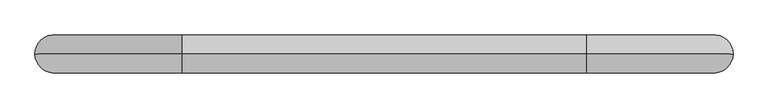
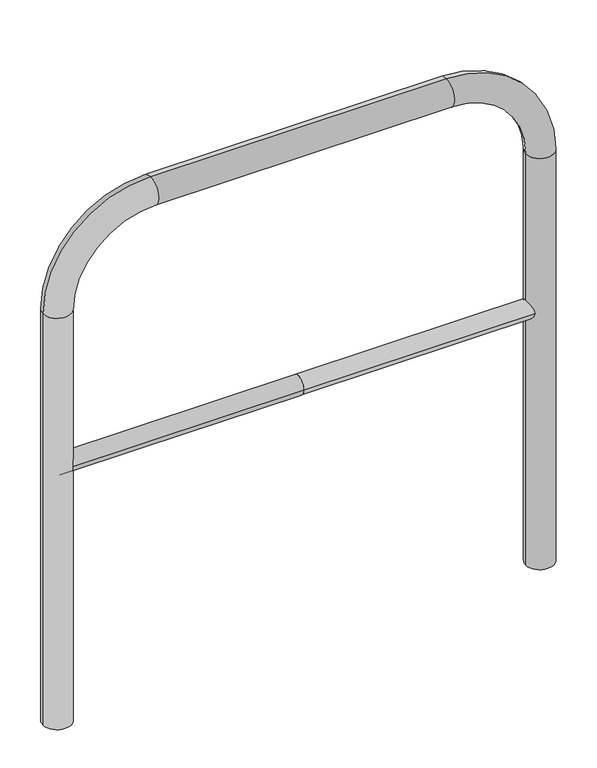
"""IFC4 building model written with IfcOpenShell, lengths in millimetres: proxy geometry."""

import ifcopenshell
import ifcopenshell.guid

model = None  # the IFC model being written
_history = None  # IfcOwnerHistory: only IFC2X3 demands one
_inside = {}  # id of a spatial element -> (the spatial element, [elements in it])
_under = {}  # id of a project, library or spatial element -> (it, [spatial elements below it])
_declared = {}  # id of a project -> (the project, [libraries it declares])
_typed = {}  # id of a type object -> (the type object, [elements of that type])
_made_of = {}  # id of a material, layer set ... -> (it, [elements and type objects made of it])


def new_model(schema):
    """Start an empty IFC model of exactly this schema.

    Asked for "IFC4X3", IfcOpenShell would pick the latest addendum, in which some entities
    have other attributes; the version numbers below select the first issue.
    IFC2X3 requires an IfcOwnerHistory on every rooted entity: one is made here for all.
    """
    global model, _history
    if schema == "IFC4X3":
        model = ifcopenshell.file(schema_version=(4, 3, 0, 0))
    else:
        model = ifcopenshell.file(schema=schema)
    _inside.clear()
    _under.clear()
    _declared.clear()
    _typed.clear()
    _made_of.clear()
    _history = None
    if model.schema == "IFC2X3":
        org = make("IfcOrganization", Name="unknown")
        user = make(
            "IfcPersonAndOrganization",
            ThePerson=make("IfcPerson", FamilyName="unknown"),
            TheOrganization=org,
        )
        app = make(
            "IfcApplication",
            ApplicationDeveloper=org,
            Version="unknown",
            ApplicationFullName="unknown",
            ApplicationIdentifier="unknown",
        )
        _history = make(
            "IfcOwnerHistory",
            OwningUser=user,
            OwningApplication=app,
            ChangeAction="ADDED",
            CreationDate=0,
        )
    return model


def make(cls, **values):
    """One entity of the class cls with the attributes given. An attribute that is None is left unset."""
    return model.create_entity(
        cls, **{name: value for name, value in values.items() if value is not None}
    )


def rooted(cls, **values):
    """An entity with a GlobalId (a new one), such as an element, a storey or a relation."""
    return make(cls, GlobalId=ifcopenshell.guid.new(), OwnerHistory=_history, **values)


def si_unit(unit_type, name, prefix=None):
    """IfcSIUnit, for example si_unit("LENGTHUNIT", "METRE", prefix="MILLI")."""
    return make("IfcSIUnit", UnitType=unit_type, Prefix=prefix, Name=name)


def assignment(units):
    """IfcUnitAssignment: the units of a project."""
    return None if units is None else make("IfcUnitAssignment", Units=units)


def point(xyz):
    """IfcCartesianPoint."""
    return None if xyz is None else make("IfcCartesianPoint", Coordinates=xyz)


def direction(xyz):
    """IfcDirection."""
    return None if xyz is None else make("IfcDirection", DirectionRatios=xyz)


def frame(location, z_axis=None, x_axis=None):
    """IfcAxis2Placement3D, a coordinate frame: its origin and axes. An axis left out is left unset."""
    return make(
        "IfcAxis2Placement3D",
        Location=point(location),
        Axis=direction(z_axis),
        RefDirection=direction(x_axis),
    )


def frame_2d(location, x_axis=None):
    """IfcAxis2Placement2D, a coordinate frame in the plane: its origin and x axis."""
    return make(
        "IfcAxis2Placement2D", Location=point(location), RefDirection=direction(x_axis)
    )


def origin():
    """The frame at (0, 0, 0) with its axes left unset."""
    return frame((0.0, 0.0, 0.0))


def place(relative_to, where):
    """IfcLocalPlacement: puts the frame where relative to a parent placement (None: the world)."""
    return make(
        "IfcLocalPlacement", PlacementRelTo=relative_to, RelativePlacement=where
    )


def context(
    kind, dimensions, precision=None, world=None, true_north=None, identifier=None
):
    """IfcGeometricRepresentationContext, for example the 3D "Model" context."""
    return make(
        "IfcGeometricRepresentationContext",
        ContextIdentifier=identifier,
        ContextType=kind,
        CoordinateSpaceDimension=dimensions,
        Precision=precision,
        WorldCoordinateSystem=world,
        TrueNorth=true_north,
    )


def project(units=None, contexts=None):
    """IfcProject with its units and contexts."""
    return rooted(
        "IfcProject",
        Name="project",
        RepresentationContexts=contexts,
        UnitsInContext=assignment(units),
    )


def spatial(cls, under=None, at=None, **own):
    """A site, building, storey or space (cls), placed at a placement, below another one or the project."""
    s = rooted(cls, ObjectPlacement=at, **own)
    if under is not None:
        _under.setdefault(under.id(), (under, []))[1].append(s)
    return s


def circle_curve(where, radius):
    """IfcCircle in the frame where."""
    return make("IfcCircle", Position=where, Radius=radius)


def ellipse_curve(where, semi_axis1, semi_axis2):
    """IfcEllipse in the frame where."""
    return make(
        "IfcEllipse", Position=where, SemiAxis1=semi_axis1, SemiAxis2=semi_axis2
    )


def trimmed(basis, trim1, trim2, sense, master):
    """IfcTrimmedCurve: the piece of a basis curve between two trims."""
    return make(
        "IfcTrimmedCurve",
        BasisCurve=basis,
        Trim1=trim1,
        Trim2=trim2,
        SenseAgreement=sense,
        MasterRepresentation=master,
    )


def segment(curve, same_sense, transition):
    """IfcCompositeCurveSegment."""
    return make(
        "IfcCompositeCurveSegment",
        Transition=transition,
        SameSense=same_sense,
        ParentCurve=curve,
    )


def composite_curve(segments, self_intersect=None):
    """IfcCompositeCurve: segments joined end to end."""
    return make("IfcCompositeCurve", Segments=segments, SelfIntersect=self_intersect)


def outline(outer, holes=None, kind="AREA"):
    """IfcArbitraryClosedProfileDef: a profile drawn as a closed curve; with holes, ...WithVoids."""
    if holes is None:
        return make("IfcArbitraryClosedProfileDef", ProfileType=kind, OuterCurve=outer)
    return make(
        "IfcArbitraryProfileDefWithVoids",
        ProfileType=kind,
        OuterCurve=outer,
        InnerCurves=holes,
    )


def extrude(swept, where, along, depth):
    """IfcExtrudedAreaSolid: the profile swept, set in the frame where, extruded along a direction by depth."""
    return make(
        "IfcExtrudedAreaSolid",
        SweptArea=swept,
        Position=where,
        ExtrudedDirection=direction(along),
        Depth=depth,
    )


def shape(context_of_items, identifier, shape_type, items):
    """IfcShapeRepresentation: the items that make up one representation, for example the "Body"."""
    return make(
        "IfcShapeRepresentation",
        ContextOfItems=context_of_items,
        RepresentationIdentifier=identifier,
        RepresentationType=shape_type,
        Items=items,
    )


def source(mapping_origin, context_of_items, identifier, shape_type, items):
    """IfcRepresentationMap: a shape defined once, which mapped items show again and again."""
    return make(
        "IfcRepresentationMap",
        MappingOrigin=mapping_origin,
        MappedRepresentation=shape(context_of_items, identifier, shape_type, items),
    )


def transform(
    local_origin,
    x_axis=None,
    y_axis=None,
    z_axis=None,
    scale=None,
    scale2=None,
    scale3=None,
    uniform=True,
):
    """IfcCartesianTransformationOperator3D, or its non-uniform kind. x_axis, y_axis, z_axis: its Axis1, 2, 3."""
    if uniform:
        return make(
            "IfcCartesianTransformationOperator3D",
            Axis1=direction(x_axis),
            Axis2=direction(y_axis),
            LocalOrigin=point(local_origin),
            Scale=scale,
            Axis3=direction(z_axis),
        )
    return make(
        "IfcCartesianTransformationOperator3DnonUniform",
        Axis1=direction(x_axis),
        Axis2=direction(y_axis),
        LocalOrigin=point(local_origin),
        Scale=scale,
        Axis3=direction(z_axis),
        Scale2=scale2,
        Scale3=scale3,
    )


def mapped(mapping_source, mapping_target):
    """IfcMappedItem: shows the shape of a source again, moved by a transform."""
    return make(
        "IfcMappedItem", MappingSource=mapping_source, MappingTarget=mapping_target
    )


def made_of(thing, what):
    """Note that an element or type object is made of a material, layer set ...; save() writes the relation."""
    if what is not None:
        _made_of.setdefault(what.id(), (what, []))[1].append(thing)
    return thing


def element(
    cls,
    number,
    at=None,
    inside=None,
    cuts=None,
    type_object=None,
    material=None,
    context=None,
    identifier="Body",
    shape_type=None,
    held_by="IfcProductDefinitionShape",
    body=None,
    shapes=None,
    **own,
):
    """One element of the class cls, such as IfcWall. Its Tag is "e" and its number.

    at: its placement. inside: the storey or other place that contains it. cuts: it is an
    opening in that element (IfcRelVoidsElement). A single representation is given by context,
    identifier, shape_type and body (its items); several are given by shapes. held_by: the class
    of the entity that holds the representations. save() writes the other relations.
    """
    e = rooted(cls, Tag="e%d" % number, ObjectPlacement=at, **own)
    if body is not None:
        shapes = [shape(context, identifier, shape_type, body)]
    if shapes is not None:
        e.Representation = make(held_by, Representations=shapes)
    if inside is not None:
        _inside.setdefault(inside.id(), (inside, []))[1].append(e)
    if cuts is not None:
        rooted(
            "IfcRelVoidsElement", RelatingBuildingElement=cuts, RelatedOpeningElement=e
        )
    if type_object is not None:
        _typed.setdefault(type_object.id(), (type_object, []))[1].append(e)
    return made_of(e, material)


def aggregate(whole, parts):
    """IfcRelAggregates: a whole, such as a stair, and the parts it consists of."""
    return rooted("IfcRelAggregates", RelatingObject=whole, RelatedObjects=parts)


def save(model, path):
    """Write the relations noted so far, then the file.

    IfcRelAggregates (storeys below a building ...), IfcRelContainedInSpatialStructure (elements
    in a storey), IfcRelDefinesByType, IfcRelAssociatesMaterial and IfcRelDeclares: one each for
    every whole, place, type object, material and project.
    """
    for whole, parts in _under.values():
        aggregate(whole, parts)
    for where, things in _inside.values():
        rooted(
            "IfcRelContainedInSpatialStructure",
            RelatedElements=things,
            RelatingStructure=where,
        )
    for kind, things in _typed.values():
        rooted("IfcRelDefinesByType", RelatedObjects=things, RelatingType=kind)
    for what, things in _made_of.values():
        rooted("IfcRelAssociatesMaterial", RelatedObjects=things, RelatingMaterial=what)
    for by, libraries in _declared.values():
        rooted("IfcRelDeclares", RelatingContext=by, RelatedDefinitions=libraries)
    model.write(path)


def plane_surface(at):
    """IfcPlane: the flat surface through the origin of the frame at, square to its z axis."""
    return make("IfcPlane", Position=at)


def cylinder_surface(at, radius):
    """IfcCylindricalSurface: all points at the distance radius from the z axis of the frame at."""
    return make("IfcCylindricalSurface", Position=at, Radius=radius)


def revolved_surface(curve, axis_point, axis_direction):
    """IfcSurfaceOfRevolution: the curve turned about the line through axis_point along axis_direction."""
    return make(
        "IfcSurfaceOfRevolution",
        SweptCurve=make("IfcArbitraryOpenProfileDef", ProfileType="CURVE", Curve=curve),
        AxisPosition=make("IfcAxis1Placement", Location=point(axis_point), Axis=direction(axis_direction)),
    )


def advanced_brep(points, edges, surfaces, faces):
    """IfcAdvancedBrep: a solid bounded by faces that lie on surfaces and meet in shared edges.

    An edge is (start, end): straight between two places in points (the first is 0);
    or (start, end, curve); or (start, end, curve, False) where it runs against its curve.
    A face is (place in surfaces, loops), or (place, loops, False) where it looks against
    its surface's normal. A loop lists edges by number (the first is 1), with a minus sign
    where the edge is run from its end to its start. The first loop is the outer one.
    """
    corners = [point(p) for p in points]
    vertices = [make("IfcVertexPoint", VertexGeometry=c) for c in corners]
    made = []
    for start, end, *more in edges:
        made.append(
            make(
                "IfcEdgeCurve",
                EdgeStart=vertices[start],
                EdgeEnd=vertices[end],
                EdgeGeometry=more[0] if more else make("IfcPolyline", Points=[corners[start], corners[end]]),
                SameSense=more[1] if len(more) > 1 else True,
            )
        )
    hull = []
    for where, loops, *sense in faces:
        bounds = []
        for j, loop in enumerate(loops):
            ring = [make("IfcOrientedEdge", EdgeElement=made[abs(k) - 1], Orientation=k > 0) for k in loop]
            bounds.append(
                make(
                    "IfcFaceOuterBound" if j == 0 else "IfcFaceBound",
                    Bound=make("IfcEdgeLoop", EdgeList=ring),
                    Orientation=True,
                )
            )
        hull.append(make("IfcAdvancedFace", Bounds=bounds, FaceSurface=surfaces[where], SameSense=sense[0] if sense else True))
    return make("IfcAdvancedBrep", Outer=make("IfcClosedShell", CfsFaces=hull))


def generic_models_4e61c2e8(model_context):
    return source(origin(), model_context, "Body", "SolidModel", [
        extrude(outline(composite_curve([segment(trimmed(circle_curve(frame_2d((0.0, 498.4778375)), 20.0), [point((-20.0, 498.4778375))], [point((20.0, 498.4778375))], False, "CARTESIAN"), True, "CONTINUOUS"), segment(trimmed(circle_curve(frame_2d((0.0, 498.4778375)), 20.0), [point((20.0, 498.4778375))], [point((-20.0, 498.4778375))], False, "CARTESIAN"), True, "CONTINUOUS")], self_intersect=False)), frame((-516.8385693, 0.0, 0.0), z_axis=(1.0, 0.0, 0.0), x_axis=(0.0, 1.0, 0.0)), (0.0, 0.0, 1.0), 516.8385693),
        extrude(outline(composite_curve([segment(trimmed(circle_curve(frame_2d((0.0, 498.4778375)), 20.0), [point((-20.0, 498.4778375))], [point((20.0, 498.4778375))], False, "CARTESIAN"), True, "CONTINUOUS"), segment(trimmed(circle_curve(frame_2d((0.0, 498.4778375)), 20.0), [point((20.0, 498.4778375))], [point((-20.0, 498.4778375))], False, "CARTESIAN"), True, "CONTINUOUS")], self_intersect=False)), frame((0.0, 0.0, 0.0), z_axis=(1.0, 0.0, 0.0), x_axis=(0.0, 1.0, 0.0)), (0.0, 0.0, 1.0), 516.8385693),
        advanced_brep(
        [(-486.8385693, 0.0, -80.0), (-546.8385693, 0.0, -80.0), (-486.8385693, 0.0, 850.0), (-546.8385693, 0.0, 850.0), (-316.8385693, 0.0, 1080.0), (-316.8385693, 0.0, 1020.0), (316.8385693, 0.0, 1020.0), (316.8385693, 0.0, 1080.0), (546.8385693, 0.0, 850.0), (486.8385693, 0.0, 850.0), (486.8385693, 0.0, -80.0), (546.8385693, 0.0, -80.0)],
        [
            (0, 1, circle_curve(frame((-516.8385693, 0.0, -80.0), z_axis=(0.0, 0.0, -1.0), x_axis=(-1.0, 0.0, 0.0)), 30.0)),
            (1, 0, circle_curve(frame((-516.8385693, 0.0, -80.0), z_axis=(0.0, 0.0, -1.0), x_axis=(-1.0, 0.0, 0.0)), 30.0)),
            (0, 2),
            (2, 3, circle_curve(frame((-516.8385693, 0.0, 850.0), z_axis=(0.0, 0.0, -1.0), x_axis=(-1.0, 0.0, 0.0)), 30.0)),
            (3, 1),
            (3, 2, circle_curve(frame((-516.8385693, 0.0, 850.0), z_axis=(0.0, 0.0, -1.0), x_axis=(-1.0, 0.0, 0.0)), 30.0)),
            (4, 3, circle_curve(frame((-316.8385693, 0.0, 850.0), z_axis=(0.0, -1.0, 0.0), x_axis=(-1.0, 0.0, 0.0)), 230.0)),
            (2, 5, circle_curve(frame((-316.8385693, 0.0, 850.0), z_axis=(0.0, 1.0, 0.0), x_axis=(-1.0, 0.0, 0.0)), 170.0)),
            (5, 4, circle_curve(frame((-316.8385693, 0.0, 1050.0), z_axis=(-1.0, 0.0, 0.0), x_axis=(0.0, 0.0, 1.0)), 30.0)),
            (4, 5, circle_curve(frame((-316.8385693, 0.0, 1050.0), z_axis=(-1.0, 0.0, 0.0), x_axis=(0.0, 0.0, 1.0)), 30.0)),
            (5, 6),
            (6, 7, circle_curve(frame((316.8385693, 0.0, 1050.0), z_axis=(-1.0, 0.0, 0.0), x_axis=(0.0, 0.0, 1.0)), 30.0)),
            (7, 4),
            (7, 6, circle_curve(frame((316.8385693, 0.0, 1050.0), z_axis=(-1.0, 0.0, 0.0), x_axis=(0.0, 0.0, 1.0)), 30.0)),
            (8, 7, circle_curve(frame((316.8385693, 0.0, 850.0), z_axis=(0.0, -1.0, 0.0), x_axis=(0.0, 0.0, 1.0)), 230.0)),
            (6, 9, circle_curve(frame((316.8385693, 0.0, 850.0), z_axis=(0.0, 1.0, 0.0), x_axis=(0.0, 0.0, 1.0)), 170.0)),
            (9, 8, circle_curve(frame((516.8385693, 0.0, 850.0), z_axis=(0.0, 0.0, 1.0), x_axis=(1.0, 0.0, 0.0)), 30.0)),
            (8, 9, circle_curve(frame((516.8385693, 0.0, 850.0), z_axis=(0.0, 0.0, 1.0), x_axis=(1.0, 0.0, 0.0)), 30.0)),
            (10, 11, circle_curve(frame((516.8385693, 0.0, -80.0), z_axis=(0.0, 0.0, -1.0), x_axis=(1.0, 0.0, 0.0)), 30.0)),
            (11, 10, circle_curve(frame((516.8385693, 0.0, -80.0), z_axis=(0.0, 0.0, -1.0), x_axis=(1.0, 0.0, 0.0)), 30.0)),
            (9, 10),
            (11, 8),
        ],
        [
            plane_surface(frame((-516.8385693, 0.0, -80.0), z_axis=(0.0, 0.0, -1.0), x_axis=(0.0, -1.0, 0.0))),
            cylinder_surface(frame((-516.8385693, 0.0, -80.0), z_axis=(0.0, 0.0, -1.0), x_axis=(-1.0, 0.0, 0.0)), 30.0),
            revolved_surface(trimmed(ellipse_curve(frame((-516.8385693, 0.0, 850.0), z_axis=(0.0, 0.0, -1.0), x_axis=(-1.0, 0.0, 0.0)), 30.0, 30.0), [point((-486.8385693, 0.0, 850.0))], [point((-546.8385693, 0.0, 850.0))], True, "CARTESIAN"), (-316.8385693, 0.0, 850.0), (0.0, 1.0, 0.0)),
            revolved_surface(trimmed(ellipse_curve(frame((-516.8385693, 0.0, 850.0), z_axis=(0.0, 0.0, -1.0), x_axis=(-1.0, 0.0, 0.0)), 30.0, 30.0), [point((-546.8385693, 0.0, 850.0))], [point((-486.8385693, 0.0, 850.0))], True, "CARTESIAN"), (-316.8385693, 0.0, 850.0), (0.0, 1.0, 0.0)),
            cylinder_surface(frame((-316.8385693, 0.0, 1050.0), z_axis=(-1.0, 0.0, 0.0), x_axis=(0.0, 0.0, 1.0)), 30.0),
            revolved_surface(trimmed(ellipse_curve(frame((316.8385693, 0.0, 1050.0), z_axis=(-1.0, 0.0, 0.0), x_axis=(0.0, 0.0, 1.0)), 30.0, 30.0), [point((316.8385693, 0.0, 1020.0))], [point((316.8385693, 0.0, 1080.0))], True, "CARTESIAN"), (316.8385693, 0.0, 850.0), (0.0, 1.0, 0.0)),
            revolved_surface(trimmed(ellipse_curve(frame((316.8385693, 0.0, 1050.0), z_axis=(-1.0, 0.0, 0.0), x_axis=(0.0, 0.0, 1.0)), 30.0, 30.0), [point((316.8385693, 0.0, 1080.0))], [point((316.8385693, 0.0, 1020.0))], True, "CARTESIAN"), (316.8385693, 0.0, 850.0), (0.0, 1.0, 0.0)),
            plane_surface(frame((516.8385693, 0.0, -80.0), z_axis=(0.0, 0.0, -1.0), x_axis=(0.0, -1.0, 0.0))),
            cylinder_surface(frame((516.8385693, 0.0, 850.0), z_axis=(0.0, 0.0, 1.0), x_axis=(1.0, 0.0, 0.0)), 30.0),
        ],
        [
            (0, [[1, 2]]),
            (1, [[-1, 3, 4, 5]]),
            (1, [[-2, -5, 6, -3]]),
            (2, [[7, -4, 8, 9]]),
            (3, [[-8, -6, -7, 10]]),
            (4, [[-9, 11, 12, 13]]),
            (4, [[-10, -13, 14, -11]]),
            (5, [[15, -12, 16, 17]]),
            (6, [[-16, -14, -15, 18]]),
            (7, [[19, 20]]),
            (8, [[-17, 21, -20, 22]]),
            (8, [[-18, -22, -19, -21]]),
        ],
    ),
    ])


if __name__ == "__main__":
    model = new_model("IFC4")
    model_context = context("Model", 3, world=origin())
    ifc_project = project(units=[si_unit("LENGTHUNIT", "METRE", prefix="MILLI")], contexts=[model_context])
    site = spatial("IfcSite", under=ifc_project)
    building = spatial("IfcBuilding", under=site)
    placement = place(None, origin())
    generic_models_shape = generic_models_4e61c2e8(model_context)
    element("IfcBuildingElementProxy", 1, Name="Generic Models", at=placement, inside=building, context=model_context, shape_type="MappedRepresentation", body=[
        mapped(generic_models_shape, transform((0.0, 0.0, 0.0), x_axis=(1.0, 0.0, 0.0), y_axis=(0.0, 1.0, 0.0), z_axis=(0.0, 0.0, 1.0))),
    ])
    save(model, "model.ifc")
